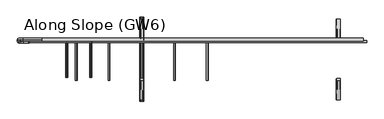
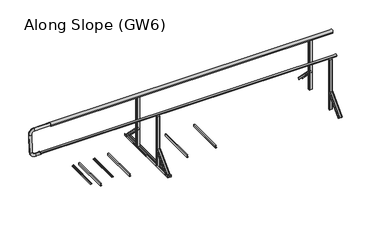
"""IFC4 building model written with IfcOpenShell, lengths in millimetres: proxy geometry, Along Slope (GW6)."""

from ifc_helpers import new_model, si_unit, point, frame, frame_2d, origin, origin_with_axes, place, context, project, spatial, polyline, circle_curve, ellipse_curve, trimmed, segment, composite_curve, outline, extrude, source, transform, mapped, element, save
from ifc_brep_helpers import plane_surface, cylinder_surface, revolved_surface, extruded_surface, advanced_brep


def along_slope_gw6_b5201a75(model_context):
    return source(origin(), model_context, "Body", "SolidModel", [
        advanced_brep(
        [(-200.0, 596.8, 513.0), (-200.0, 596.8, 553.0), (-210.0, 596.8, 508.0), (-210.0, 596.8, 558.0)],
        [
            (0, 1, circle_curve(frame((-200.0, 596.8, 533.0), z_axis=(1.0, 0.0, 0.0), x_axis=(0.0, 0.0, 1.0)), 20.0)),
            (1, 0, circle_curve(frame((-200.0, 596.8, 533.0), z_axis=(1.0, 0.0, 0.0), x_axis=(0.0, 0.0, -1.0)), 20.0)),
            (2, 3, circle_curve(frame((-210.0, 596.8, 533.0), z_axis=(-1.0, 0.0, 0.0), x_axis=(0.0, 0.0, -1.0)), 25.0)),
            (3, 2, circle_curve(frame((-210.0, 596.8, 533.0), z_axis=(-1.0, 0.0, 0.0), x_axis=(0.0, 0.0, 1.0)), 25.0)),
            (2, 0),
            (1, 3),
        ],
        [
            plane_surface(frame((-200.0, 596.8, 533.0), z_axis=(1.0, 0.0, 0.0), x_axis=(0.0, -1.0, 0.0))),
            plane_surface(frame((-210.0, 596.8, 533.0), z_axis=(-1.0, 0.0, 0.0), x_axis=(0.0, -1.0, 0.0))),
            revolved_surface(polyline([(-200.0, 596.8, 513.0), (-210.0, 596.8, 508.0)]), (-160.0, 596.8, 533.0), (-1.0, 0.0, 0.0)),
            revolved_surface(polyline([(-200.0, 596.8, 553.0), (-210.0, 596.8, 558.0)]), (-160.0, 596.8, 533.0), (-1.0, 0.0, 0.0)),
        ],
        [
            (0, [[1, 2]]),
            (1, [[3, 4]]),
            (2, [[5, -2, 6, -3]]),
            (3, [[-6, -1, -5, -4]]),
        ],
    ),
        advanced_brep(
        [(0.0, 633.2768095, 1044.936779), (0.0, 629.7231905, 995.063221), (-300.0, 629.7231905, 995.063221), (-300.0, 633.2768095, 1044.936779), (-350.0, 626.1695715, 945.1896629), (-400.0, 626.1695715, 945.1896629), (-350.0, 602.1399996, 607.9446635), (-400.0, 602.1399996, 607.9446635), (-300.0, 598.5863806, 558.0711054), (-300.0, 595.0327616, 508.1975474), (-210.0, 595.0327616, 508.1975474), (-210.0, 598.5863806, 558.0711054)],
        [
            (0, 1, circle_curve(frame((0.0, 631.5, 1020.0), z_axis=(1.0, 0.0, 0.0), x_axis=(0.0, -0.07107238045514491, -0.9974711608545078)), 25.0)),
            (1, 0, circle_curve(frame((0.0, 631.5, 1020.0), z_axis=(1.0, 0.0, 0.0), x_axis=(0.0, -0.07107238045514491, -0.9974711608545078)), 25.0)),
            (1, 2),
            (2, 3, circle_curve(frame((-300.0, 631.5, 1020.0), z_axis=(1.0, 0.0, 0.0), x_axis=(0.0, -0.07107238045514491, -0.9974711608545078)), 25.0)),
            (3, 0),
            (3, 2, circle_curve(frame((-300.0, 631.5, 1020.0), z_axis=(1.0, 0.0, 0.0), x_axis=(0.0, -0.07107238045514491, -0.9974711608545078)), 25.0)),
            (4, 5, circle_curve(frame((-375.0, 626.1695715, 945.1896629), z_axis=(0.0, 0.07107238045514491, 0.9974711608545078), x_axis=(1.0000000000000002, 0.0, 0.0)), 25.0)),
            (5, 3, circle_curve(frame((-300.0, 626.1695715, 945.1896629), z_axis=(0.0, 0.9974711608545078, -0.07107238045514491), x_axis=(0.0, 0.07107238045514491, 0.9974711608545078)), 100.0)),
            (2, 4, circle_curve(frame((-300.0, 626.1695715, 945.1896629), z_axis=(0.0, -0.9974711608545078, 0.07107238045514491), x_axis=(0.0, 0.07107238045514491, 0.9974711608545078)), 50.0)),
            (5, 4, circle_curve(frame((-375.0, 626.1695715, 945.1896629), z_axis=(0.0, 0.07107238045514491, 0.9974711608545078), x_axis=(1.0000000000000002, 0.0, 0.0)), 25.0)),
            (4, 6),
            (6, 7, circle_curve(frame((-375.0, 602.1399996, 607.9446635), z_axis=(0.0, 0.07107238045514493, 0.9974711608545077), x_axis=(1.0, 0.0, 0.0)), 25.0)),
            (7, 5),
            (7, 6, circle_curve(frame((-375.0, 602.1399996, 607.9446635), z_axis=(0.0, 0.07107238045514493, 0.9974711608545077), x_axis=(1.0, 0.0, 0.0)), 25.0)),
            (8, 9, circle_curve(frame((-300.0, 596.8095711, 533.1343264), z_axis=(-1.0, 0.0, 0.0), x_axis=(0.0, 0.07107238045514493, 0.9974711608545078)), 25.0)),
            (9, 7, circle_curve(frame((-300.0, 602.1399996, 607.9446635), z_axis=(0.0, 0.9974711608545078, -0.07107238045514491), x_axis=(-1.0, 0.0, 0.0)), 100.0)),
            (6, 8, circle_curve(frame((-300.0, 602.1399996, 607.9446635), z_axis=(0.0, -0.9974711608545078, 0.07107238045514491), x_axis=(-1.0, 0.0, 0.0)), 50.0)),
            (9, 8, circle_curve(frame((-300.0, 596.8095711, 533.1343264), z_axis=(-1.0, 0.0, 0.0), x_axis=(0.0, 0.07107238045514493, 0.9974711608545078)), 25.0)),
            (10, 11, circle_curve(frame((-210.0, 596.8095711, 533.1343264), z_axis=(1.0, 0.0, 0.0), x_axis=(0.0, 0.07107238045514491, 0.9974711608545078)), 25.0)),
            (11, 10, circle_curve(frame((-210.0, 596.8095711, 533.1343264), z_axis=(1.0, 0.0, 0.0), x_axis=(0.0, 0.07107238045514491, 0.9974711608545078)), 25.0)),
            (8, 11),
            (10, 9),
        ],
        [
            plane_surface(frame((0.0, 633.2768095, 1044.936779), z_axis=(1.0000000000000002, 0.0, 0.0), x_axis=(0.0, 0.9974711608545078, -0.07107238045514491))),
            cylinder_surface(frame((0.0, 631.5, 1020.0), z_axis=(1.0000000000000002, 0.0, 0.0), x_axis=(0.0, -0.07107238045514491, -0.9974711608545078)), 25.0),
            revolved_surface(trimmed(ellipse_curve(frame((-300.0, 631.5, 1020.0), z_axis=(-1.0000000000000002, 0.0, 0.0), x_axis=(0.0, -0.07107238045514491, -0.9974711608545078)), 25.0, 25.0), [point((-300.0, 633.2768095, 1044.936779))], [point((-300.0, 629.7231905, 995.063221))], True, "CARTESIAN"), (-300.0, 626.1695715, 945.1896629), (0.0, 0.9974711608545078, -0.07107238045514491)),
            revolved_surface(trimmed(ellipse_curve(frame((-300.0, 631.5, 1020.0), z_axis=(-1.0000000000000002, 0.0, 0.0), x_axis=(0.0, -0.07107238045514491, -0.9974711608545078)), 25.0, 25.0), [point((-300.0, 629.7231905, 995.063221))], [point((-300.0, 633.2768095, 1044.936779))], True, "CARTESIAN"), (-300.0, 626.1695715, 945.1896629), (0.0, 0.9974711608545078, -0.07107238045514491)),
            cylinder_surface(frame((-375.0, 626.1695715, 945.1896629), z_axis=(0.0, 0.07107238045514493, 0.9974711608545077), x_axis=(1.0, 0.0, 0.0)), 25.0),
            revolved_surface(trimmed(ellipse_curve(frame((-375.0, 602.1399996, 607.9446635), z_axis=(0.0, -0.07107238045514494, -0.9974711608545078), x_axis=(1.0, 0.0, 0.0)), 25.0, 25.0), [point((-400.0, 602.1399996, 607.9446635))], [point((-350.0, 602.1399996, 607.9446635))], True, "CARTESIAN"), (-300.0, 602.1399996, 607.9446635), (0.0, 0.9974711608545078, -0.07107238045514491)),
            revolved_surface(trimmed(ellipse_curve(frame((-375.0, 602.1399996, 607.9446635), z_axis=(0.0, -0.07107238045514494, -0.9974711608545078), x_axis=(1.0, 0.0, 0.0)), 25.0, 25.0), [point((-350.0, 602.1399996, 607.9446635))], [point((-400.0, 602.1399996, 607.9446635))], True, "CARTESIAN"), (-300.0, 602.1399996, 607.9446635), (0.0, 0.9974711608545078, -0.07107238045514491)),
            plane_surface(frame((-210.0, 595.0327616, 508.1975474), z_axis=(1.0000000000000002, 0.0, 0.0), x_axis=(0.0, 0.9974711608545078, -0.07107238045514491))),
            cylinder_surface(frame((-300.0, 596.8095711, 533.1343264), z_axis=(-1.0, 0.0, 0.0), x_axis=(0.0, 0.07107238045514491, 0.9974711608545078)), 25.0),
        ],
        [
            (0, [[1, 2]]),
            (1, [[3, 4, 5, -2]]),
            (1, [[-5, 6, -3, -1]]),
            (2, [[7, 8, -4, 9]]),
            (3, [[10, -9, -6, -8]]),
            (4, [[11, 12, 13, -7]]),
            (4, [[-13, 14, -11, -10]]),
            (5, [[15, 16, -12, 17]]),
            (6, [[18, -17, -14, -16]]),
            (7, [[19, 20]]),
            (8, [[21, -19, 22, -15]]),
            (8, [[-22, -20, -21, -18]]),
        ],
    ),
        extrude(outline(composite_curve([segment(polyline([(578.2, 525.617273), (582.2, 525.617273), (582.2, 540.382727), (578.2, 540.382727)]), True, "CONTINUOUS"), segment(trimmed(circle_curve(frame_2d((596.787505, 533.0)), 20.0), [point((578.2, 540.382727))], [point((612.5, 545.3740657))], False, "CARTESIAN"), True, "CONTINUOUS"), segment(polyline([(612.5, 545.3740657), (612.5, 520.6259343)]), True, "CONTINUOUS"), segment(trimmed(circle_curve(frame_2d((596.787505, 533.0)), 20.0), [point((612.5, 520.6259343))], [point((578.2, 525.617273))], False, "CARTESIAN"), True, "CONTINUOUS")], self_intersect=False)), frame((-200.0, 0.0, 0.0), z_axis=(1.0, 0.0, 0.0), x_axis=(0.0, 1.0, 0.0)), (0.0, 0.0, 1.0), 5585.0),
        extrude(outline(composite_curve([segment(polyline([(652.5, 1006.43534), (652.5, 988.0), (651.5, 988.0), (651.5, 1003.0), (611.5, 1003.0), (611.5, 988.0), (610.5, 988.0), (610.5, 1006.43534)]), True, "CONTINUOUS"), segment(trimmed(circle_curve(frame_2d((631.5, 1020.0)), 25.0), [point((610.5, 1006.43534))], [point((652.5, 1006.43534))], False, "CARTESIAN"), True, "CONTINUOUS")], self_intersect=False)), frame((0.0, 0.0, 0.0), z_axis=(1.0, 0.0, 0.0), x_axis=(0.0, 1.0, 0.0)), (0.0, 0.0, 1.0), 5330.0),
        extrude(outline(polyline([(3e-07, 2761.8888889), (2.0000003, 2761.8888889), (2.0000003, 2733.8888889), (38.0000003, 2733.8888889), (38.0000003, 2751.8888889), (40.0000003, 2751.8888889), (40.0000003, 2731.8888889), (3e-07, 2731.8888889), (3e-07, 2761.8888889)])), frame((0.0, -50.0, 0.0), z_axis=(0.0, 1.0, 0.0), x_axis=(0.0, 0.0, 1.0)), (0.0, 0.0, 1.0), 700.0),
        extrude(outline(polyline([(3e-07, 2218.1111111), (2.0000003, 2218.1111111), (2.0000003, 2190.1111111), (38.0000003, 2190.1111111), (38.0000003, 2208.1111111), (40.0000003, 2208.1111111), (40.0000003, 2188.1111111), (3e-07, 2188.1111111), (3e-07, 2218.1111111)])), frame((0.0, -50.0, 0.0), z_axis=(0.0, 1.0, 0.0), x_axis=(0.0, 0.0, 1.0)), (0.0, 0.0, 1.0), 700.0),
        extrude(outline(polyline([(3e-07, 1130.5555556), (2.0000003, 1130.5555556), (2.0000003, 1102.5555556), (38.0000003, 1102.5555556), (38.0000003, 1120.5555556), (40.0000003, 1120.5555556), (40.0000003, 1100.5555556), (3e-07, 1100.5555556), (3e-07, 1130.5555556)])), frame((0.0, -50.0, 0.0), z_axis=(0.0, 1.0, 0.0), x_axis=(0.0, 0.0, 1.0)), (0.0, 0.0, 1.0), 700.0),
        extrude(outline(polyline([(3e-07, 586.7777778), (2.0000003, 586.7777778), (2.0000003, 558.7777778), (38.0000003, 558.7777778), (38.0000003, 576.7777778), (40.0000003, 576.7777778), (40.0000003, 556.7777778), (3e-07, 556.7777778), (3e-07, 586.7777778)])), frame((0.0, -50.0, 0.0), z_axis=(0.0, 1.0, 0.0), x_axis=(0.0, 0.0, 1.0)), (0.0, 0.0, 1.0), 700.0),
        extrude(outline(composite_curve([segment(trimmed(circle_curve(frame_2d((62.9683907, 823.75)), 6.25), [point((67.8614305, 819.8614704))], [point((60.2402402, 818.1268608))], False, "CARTESIAN"), True, "CONTINUOUS"), segment(trimmed(circle_curve(frame_2d((59.3468026, 816.2853478)), 2.0468026), [point((60.2402402, 818.1268608))], [point((57.3, 816.2853478))], True, "CARTESIAN"), True, "CONTINUOUS"), segment(polyline([(57.3, 816.2853478), (57.3, 801.5)]), True, "CONTINUOUS"), segment(trimmed(circle_curve(frame_2d((55.8, 801.5)), 1.5), [point((57.3, 801.5))], [point((55.8, 800.0))], False, "CARTESIAN"), True, "CONTINUOUS"), segment(polyline([(55.8, 800.0), (55.0, 800.0), (55.0, 821.9783691)]), True, "CONTINUOUS"), segment(trimmed(circle_curve(frame_2d((64.084859, 821.098018)), 9.1274138), [point((55.0, 821.9783691))], [point((60.5433217, 829.510342))], False, "CARTESIAN"), True, "CONTINUOUS"), segment(trimmed(circle_curve(frame_2d((62.9683907, 823.75)), 6.25), [point((60.5433217, 829.510342))], [point((67.8614305, 827.6385296))], False, "CARTESIAN"), True, "CONTINUOUS"), segment(trimmed(circle_curve(frame_2d((67.2653483, 827.1648193)), 0.7613904), [point((67.8614305, 827.6385296))], [point((66.7916381, 826.5687372))], False, "CARTESIAN"), True, "CONTINUOUS"), segment(trimmed(circle_curve(frame_2d((62.9683907, 823.75)), 4.75), [point((66.7916381, 826.5687372))], [point((66.7916381, 820.9312628))], True, "CARTESIAN"), True, "CONTINUOUS"), segment(trimmed(circle_curve(frame_2d((67.2653483, 820.3351807)), 0.7613904), [point((66.7916381, 820.9312628))], [point((67.8614305, 819.8614704))], False, "CARTESIAN"), True, "CONTINUOUS")], self_intersect=False)), frame((0.0, 0.0, 0.0), z_axis=(0.0, 1.0, 0.0), x_axis=(0.0, 0.0, 1.0)), (0.0, 0.0, 1.0), 600.0),
        extrude(outline(composite_curve([segment(trimmed(circle_curve(frame_2d((62.9683907, 423.75)), 6.25), [point((67.8614305, 419.8614704))], [point((60.2402402, 418.1268608))], False, "CARTESIAN"), True, "CONTINUOUS"), segment(trimmed(circle_curve(frame_2d((59.3468026, 416.2853478)), 2.0468026), [point((60.2402402, 418.1268608))], [point((57.3, 416.2853478))], True, "CARTESIAN"), True, "CONTINUOUS"), segment(polyline([(57.3, 416.2853478), (57.3, 401.5)]), True, "CONTINUOUS"), segment(trimmed(circle_curve(frame_2d((55.8, 401.5)), 1.5), [point((57.3, 401.5))], [point((55.8, 400.0))], False, "CARTESIAN"), True, "CONTINUOUS"), segment(polyline([(55.8, 400.0), (55.0, 400.0), (55.0, 421.9783691)]), True, "CONTINUOUS"), segment(trimmed(circle_curve(frame_2d((64.084859, 421.098018)), 9.1274138), [point((55.0, 421.9783691))], [point((60.5433217, 429.510342))], False, "CARTESIAN"), True, "CONTINUOUS"), segment(trimmed(circle_curve(frame_2d((62.9683907, 423.75)), 6.25), [point((60.5433217, 429.510342))], [point((67.8614305, 427.6385296))], False, "CARTESIAN"), True, "CONTINUOUS"), segment(trimmed(circle_curve(frame_2d((67.2653483, 427.1648193)), 0.7613904), [point((67.8614305, 427.6385296))], [point((66.7916381, 426.5687372))], False, "CARTESIAN"), True, "CONTINUOUS"), segment(trimmed(circle_curve(frame_2d((62.9683907, 423.75)), 4.75), [point((66.7916381, 426.5687372))], [point((66.7916381, 420.9312628))], True, "CARTESIAN"), True, "CONTINUOUS"), segment(trimmed(circle_curve(frame_2d((67.2653483, 420.3351807)), 0.7613904), [point((66.7916381, 420.9312628))], [point((67.8614305, 419.8614704))], False, "CARTESIAN"), True, "CONTINUOUS")], self_intersect=False)), frame((0.0, 0.0, 0.0), z_axis=(0.0, 1.0, 0.0), x_axis=(0.0, 0.0, 1.0)), (0.0, 0.0, 1.0), 600.0),
        advanced_brep(
        [(1688.8333333, -368.6980515, 38.0000003), (1623.8333333, -368.6980515, 38.0000003), (1623.8333333, -342.888654, 12.1906028), (1626.8333333, -342.888654, 12.1906028), (1626.8333333, -366.5767312, 35.87868), (1636.8333333, -366.5767312, 35.87868), (1636.8333333, -364.8089642, 34.110913), (1637.8333333, -364.8089642, 34.110913), (1637.8333333, -366.5767312, 35.87868), (1674.8333333, -366.5767312, 35.87868), (1674.8333333, -364.8089642, 34.110913), (1675.8333333, -364.8089642, 34.110913), (1675.8333333, -366.5767312, 35.87868), (1685.8333333, -366.5767312, 35.87868), (1685.8333333, -342.888654, 12.1906028), (1688.8333333, -342.888654, 12.1906028), (1691.8333333, -50.5, 356.1980519), (1691.8333333, -24.6906025, 330.3886543), (1688.8333333, -24.6906025, 330.3886543), (1688.8333333, -48.3786797, 354.0767315), (1678.8333333, -48.3786797, 354.0767315), (1678.8333333, -46.6109127, 352.3089646), (1677.8333333, -46.6109127, 352.3089646), (1677.8333333, -48.3786797, 354.0767315), (1640.8333333, -48.3786797, 354.0767315), (1640.8333333, -46.6109127, 352.3089646), (1639.8333333, -46.6109127, 352.3089646), (1639.8333333, -48.3786797, 354.0767315), (1629.8333333, -48.3786797, 354.0767315), (1629.8333333, -24.6906025, 330.3886543), (1626.8333333, -24.6906025, 330.3886543), (1626.8333333, -50.5, 356.1980519)],
        [
            (0, 1),
            (1, 2),
            (2, 3, circle_curve(frame((1625.3333333, -342.888654, 12.1906028), z_axis=(0.0, -0.7071067811865506, -0.7071067811865446), x_axis=(0.0, -0.7071067811865446, 0.7071067811865506)), 1.5)),
            (3, 4),
            (4, 5),
            (5, 6),
            (6, 7, circle_curve(frame((1637.3333333, -364.8089642, 34.110913), z_axis=(0.0, -0.7071067811865506, -0.7071067811865446), x_axis=(0.0, -0.7071067811865446, 0.7071067811865506)), 0.5)),
            (7, 8),
            (8, 9),
            (9, 10),
            (10, 11, circle_curve(frame((1675.3333333, -364.8089642, 34.110913), z_axis=(0.0, -0.7071067811865506, -0.7071067811865446), x_axis=(0.0, -0.7071067811865446, 0.7071067811865506)), 0.5)),
            (11, 12),
            (12, 13),
            (13, 14),
            (14, 15, circle_curve(frame((1687.3333333, -342.888654, 12.1906028), z_axis=(0.0, -0.7071067811865506, -0.7071067811865446), x_axis=(0.0, -0.7071067811865446, 0.7071067811865506)), 1.5)),
            (15, 0),
            (16, 17),
            (17, 18, circle_curve(frame((1690.3333333, -24.6906025, 330.3886543), z_axis=(0.0, 0.7071067811865506, 0.7071067811865446), x_axis=(0.0, -0.7071067811865446, 0.7071067811865506)), 1.5)),
            (18, 19),
            (19, 20),
            (20, 21),
            (21, 22, circle_curve(frame((1678.3333333, -46.6109127, 352.3089646), z_axis=(0.0, 0.7071067811865506, 0.7071067811865446), x_axis=(0.0, -0.7071067811865446, 0.7071067811865506)), 0.5)),
            (22, 23),
            (23, 24),
            (24, 25),
            (25, 26, circle_curve(frame((1640.3333333, -46.6109127, 352.3089646), z_axis=(0.0, 0.7071067811865506, 0.7071067811865446), x_axis=(0.0, -0.7071067811865446, 0.7071067811865506)), 0.5)),
            (26, 27),
            (27, 28),
            (28, 29),
            (29, 30, circle_curve(frame((1628.3333333, -24.6906025, 330.3886543), z_axis=(0.0, 0.7071067811865506, 0.7071067811865446), x_axis=(0.0, -0.7071067811865446, 0.7071067811865506)), 1.5)),
            (30, 31),
            (31, 16),
            (16, 0),
            (15, 17),
            (14, 18),
            (13, 19),
            (12, 20),
            (11, 21),
            (10, 22),
            (9, 23),
            (8, 24),
            (7, 25),
            (6, 26),
            (5, 27),
            (4, 28),
            (3, 29),
            (2, 30),
            (1, 31),
        ],
        [
            plane_surface(frame((1656.3333333, -360.4779352, 29.779884), z_axis=(0.0, -0.7071067811865502, -0.7071067811865449), x_axis=(0.0, 0.7071067811865449, -0.7071067811865502))),
            plane_surface(frame((1659.3333333, -42.2798837, 347.9779355), z_axis=(0.0, 0.7071067811865505, 0.7071067811865447), x_axis=(0.0, 0.7071067811865447, -0.7071067811865505))),
            plane_surface(frame((1691.8333333, -37.5953012, 343.2933531), z_axis=(0.9999777785184913, -0.004713940454838276, -0.004713940454838116), x_axis=(0.0, 0.7071067811865449, -0.7071067811865502))),
            extruded_surface(trimmed(circle_curve(frame((1687.3333333, -342.888654, 12.1906028), z_axis=(0.0, 0.7071067811865506, 0.7071067811865446), x_axis=(0.0, -0.7071067811865446, 0.7071067811865506)), 1.5), [point((1688.8333333, -342.888654, 12.1906028))], [point((1685.8333333, -342.888654, 12.1906028))], True, "CARTESIAN"), (3.0, 318.19805149999996, 318.19805149999996), 450.009999840885),
            plane_surface(frame((1688.8333333, -36.5346411, 342.2326929), z_axis=(-0.9999777785184911, 0.004713940454837886, 0.00471394045483772), x_axis=(0.0, -0.7071067811865445, 0.7071067811865506))),
            plane_surface(frame((1683.8333333, -48.3786797, 354.0767315), z_axis=(0.0, 0.7071067811865455, -0.7071067811865496), x_axis=(-1.0, 0.0, 0.0))),
            plane_surface(frame((1678.8333333, -47.4947962, 353.192848), z_axis=(0.9999777785184913, -0.004713940454838199, -0.0047139404548380325), x_axis=(0.0, 0.7071067811865445, -0.7071067811865507))),
            extruded_surface(trimmed(circle_curve(frame((1675.3333333, -364.8089642, 34.110913), z_axis=(0.0, 0.7071067811865506, 0.7071067811865446), x_axis=(0.0, -0.7071067811865446, 0.7071067811865506)), 0.5), [point((1675.8333333, -364.8089642, 34.110913))], [point((1674.8333333, -364.8089642, 34.110913))], True, "CARTESIAN"), (3.0, 318.1980515, 318.19805160000004), 450.00999991159415),
            plane_surface(frame((1677.8333333, -47.4947962, 353.192848), z_axis=(-0.9999777785184912, 0.004713940454838169, 0.0047139404548381045), x_axis=(0.0, -0.7071067811865521, 0.707106781186543))),
            plane_surface(frame((1659.3333333, -48.3786797, 354.0767315), z_axis=(0.0, 0.7071067811865461, -0.7071067811865491), x_axis=(-1.0, 0.0, 0.0))),
            plane_surface(frame((1640.8333333, -47.4947962, 353.192848), z_axis=(0.9999777785184911, -0.004713940454838164, -0.004713940454837987), x_axis=(0.0, 0.7071067811865436, -0.7071067811865515))),
            extruded_surface(trimmed(circle_curve(frame((1637.3333333, -364.8089642, 34.110913), z_axis=(0.0, 0.7071067811865506, 0.7071067811865446), x_axis=(0.0, -0.7071067811865446, 0.7071067811865506)), 0.5), [point((1637.8333333, -364.8089642, 34.110913))], [point((1636.8333333, -364.8089642, 34.110913))], True, "CARTESIAN"), (3.0, 318.1980515, 318.19805160000004), 450.00999991159415),
            plane_surface(frame((1639.8333333, -47.4947962, 353.192848), z_axis=(-0.9999777785184913, 0.004713940454838203, 0.004713940454838003), x_axis=(0.0, -0.7071067811865419, 0.7071067811865532))),
            plane_surface(frame((1634.8333333, -48.3786797, 354.0767315), z_axis=(0.0, 0.7071067811865461, -0.7071067811865491), x_axis=(-1.0, 0.0, 0.0))),
            plane_surface(frame((1629.8333333, -36.5346411, 342.2326929), z_axis=(0.9999777785184911, -0.004713940454838192, -0.004713940454838038), x_axis=(0.0, 0.7071067811865454, -0.7071067811865497))),
            extruded_surface(trimmed(circle_curve(frame((1625.3333333, -342.888654, 12.1906028), z_axis=(0.0, 0.7071067811865506, 0.7071067811865446), x_axis=(0.0, -0.7071067811865446, 0.7071067811865506)), 1.5), [point((1626.8333333, -342.888654, 12.1906028))], [point((1623.8333333, -342.888654, 12.1906028))], True, "CARTESIAN"), (3.0, 318.19805149999996, 318.19805149999996), 450.009999840885),
            plane_surface(frame((1626.8333333, -37.5953012, 343.2933531), z_axis=(-0.9999777785184911, 0.00471394045483825, 0.004713940454838091), x_axis=(0.0, -0.7071067811865449, 0.7071067811865501))),
            plane_surface(frame((1659.3333333, -50.5, 356.1980519), z_axis=(0.0, -0.7071067811865455, 0.7071067811865497), x_axis=(1.0, 0.0, 0.0))),
        ],
        [
            (0, [[1, 2, 3, 4, 5, 6, 7, 8, 9, 10, 11, 12, 13, 14, 15, 16]]),
            (1, [[17, 18, 19, 20, 21, 22, 23, 24, 25, 26, 27, 28, 29, 30, 31, 32]]),
            (2, [[33, -16, 34, -17]]),
            (3, [[-34, -15, 35, -18]]),
            (4, [[-35, -14, 36, -19]]),
            (5, [[-36, -13, 37, -20]]),
            (6, [[-37, -12, 38, -21]]),
            (7, [[-38, -11, 39, -22]]),
            (8, [[-39, -10, 40, -23]]),
            (9, [[-40, -9, 41, -24]]),
            (10, [[-41, -8, 42, -25]]),
            (11, [[-42, -7, 43, -26]]),
            (12, [[-43, -6, 44, -27]]),
            (13, [[-44, -5, 45, -28]]),
            (14, [[-45, -4, 46, -29]]),
            (15, [[-46, -3, 47, -30]]),
            (16, [[-47, -2, 48, -31]]),
            (17, [[-48, -1, -33, -32]]),
        ],
    ),
        extrude(outline(composite_curve([segment(polyline([(1682.3333333, -50.5), (1636.3333333, -50.5)]), True, "CONTINUOUS"), segment(trimmed(circle_curve(frame_2d((1636.3333333, -45.5)), 5.0), [point((1636.3333333, -50.5))], [point((1631.3333333, -45.5))], False, "CARTESIAN"), True, "CONTINUOUS"), segment(polyline([(1631.3333333, -45.5), (1631.3333333, -17.5)]), True, "CONTINUOUS"), segment(trimmed(circle_curve(frame_2d((1636.3333333, -17.5)), 5.0), [point((1631.3333333, -17.5))], [point((1636.3333333, -12.5))], False, "CARTESIAN"), True, "CONTINUOUS"), segment(polyline([(1636.3333333, -12.5), (1682.3333333, -12.5)]), True, "CONTINUOUS"), segment(trimmed(circle_curve(frame_2d((1682.3333333, -17.5)), 5.0), [point((1682.3333333, -12.5))], [point((1687.3333333, -17.5))], False, "CARTESIAN"), True, "CONTINUOUS"), segment(polyline([(1687.3333333, -17.5), (1687.3333333, -45.5)]), True, "CONTINUOUS"), segment(trimmed(circle_curve(frame_2d((1682.3333333, -45.5)), 5.0), [point((1687.3333333, -45.5))], [point((1682.3333333, -50.5))], False, "CARTESIAN"), True, "CONTINUOUS")], self_intersect=False)), frame((0.0, 0.0, 3e-07), z_axis=(0.0, 0.0, 1.0), x_axis=(1.0, 0.0, 0.0)), (0.0, 0.0, 1.0), 1003.0),
        extrude(outline(composite_curve([segment(polyline([(1682.3333333, 612.5), (1636.3333333, 612.5)]), True, "CONTINUOUS"), segment(trimmed(circle_curve(frame_2d((1636.3333333, 617.5)), 5.0), [point((1636.3333333, 612.5))], [point((1631.3333333, 617.5))], False, "CARTESIAN"), True, "CONTINUOUS"), segment(polyline([(1631.3333333, 617.5), (1631.3333333, 645.5)]), True, "CONTINUOUS"), segment(trimmed(circle_curve(frame_2d((1636.3333333, 645.5)), 5.0), [point((1631.3333333, 645.5))], [point((1636.3333333, 650.5))], False, "CARTESIAN"), True, "CONTINUOUS"), segment(polyline([(1636.3333333, 650.5), (1682.3333333, 650.5)]), True, "CONTINUOUS"), segment(trimmed(circle_curve(frame_2d((1682.3333333, 645.5)), 5.0), [point((1682.3333333, 650.5))], [point((1687.3333333, 645.5))], False, "CARTESIAN"), True, "CONTINUOUS"), segment(polyline([(1687.3333333, 645.5), (1687.3333333, 617.5)]), True, "CONTINUOUS"), segment(trimmed(circle_curve(frame_2d((1682.3333333, 617.5)), 5.0), [point((1687.3333333, 617.5))], [point((1682.3333333, 612.5))], False, "CARTESIAN"), True, "CONTINUOUS")], self_intersect=False)), frame((0.0, 0.0, 3e-07), z_axis=(0.0, 0.0, 1.0), x_axis=(1.0, 0.0, 0.0)), (0.0, 0.0, 1.0), 1003.0),
        advanced_brep(
        [(1623.8333333, 968.7087394, 38.0000003), (1688.8333333, 968.7087394, 38.0000003), (1688.8333333, 942.8993419, 12.1906028), (1685.8333333, 942.8993419, 12.1906028), (1685.8333333, 966.5874191, 35.87868), (1675.8333333, 966.5874191, 35.87868), (1675.8333333, 964.8196521, 34.110913), (1674.8333333, 964.8196521, 34.110913), (1674.8333333, 966.5874191, 35.87868), (1637.8333333, 966.5874191, 35.87868), (1637.8333333, 964.8196521, 34.110913), (1636.8333333, 964.8196521, 34.110913), (1636.8333333, 966.5874191, 35.87868), (1626.8333333, 966.5874191, 35.87868), (1626.8333333, 942.8993419, 12.1906028), (1623.8333333, 942.8993419, 12.1906028), (1626.8333333, 650.5106879, 356.1980519), (1626.8333333, 624.7012904, 330.3886543), (1629.8333333, 624.7012904, 330.3886543), (1629.8333333, 648.3893676, 354.0767315), (1639.8333333, 648.3893676, 354.0767315), (1639.8333333, 646.6216006, 352.3089646), (1640.8333333, 646.6216006, 352.3089646), (1640.8333333, 648.3893676, 354.0767315), (1677.8333333, 648.3893676, 354.0767315), (1677.8333333, 646.6216006, 352.3089646), (1678.8333333, 646.6216006, 352.3089646), (1678.8333333, 648.3893676, 354.0767315), (1688.8333333, 648.3893676, 354.0767315), (1688.8333333, 624.7012904, 330.3886543), (1691.8333333, 624.7012904, 330.3886543), (1691.8333333, 650.5106879, 356.1980519)],
        [
            (0, 1),
            (1, 2),
            (2, 3, circle_curve(frame((1687.3333333, 942.8993419, 12.1906028), z_axis=(0.0, 0.7071067811865432, -0.7071067811865519), x_axis=(0.0, -0.7071067811865519, -0.7071067811865432)), 1.5)),
            (3, 4),
            (4, 5),
            (5, 6),
            (6, 7, circle_curve(frame((1675.3333333, 964.8196521, 34.110913), z_axis=(0.0, 0.7071067811865432, -0.7071067811865519), x_axis=(0.0, -0.7071067811865519, -0.7071067811865432)), 0.5)),
            (7, 8),
            (8, 9),
            (9, 10),
            (10, 11, circle_curve(frame((1637.3333333, 964.8196521, 34.110913), z_axis=(0.0, 0.7071067811865432, -0.7071067811865519), x_axis=(0.0, -0.7071067811865519, -0.7071067811865432)), 0.5)),
            (11, 12),
            (12, 13),
            (13, 14),
            (14, 15, circle_curve(frame((1625.3333333, 942.8993419, 12.1906028), z_axis=(0.0, 0.7071067811865432, -0.7071067811865519), x_axis=(0.0, -0.7071067811865519, -0.7071067811865432)), 1.5)),
            (15, 0),
            (16, 17),
            (17, 18, circle_curve(frame((1628.3333333, 624.7012904, 330.3886543), z_axis=(0.0, -0.7071067811865432, 0.7071067811865519), x_axis=(0.0, -0.7071067811865519, -0.7071067811865432)), 1.5)),
            (18, 19),
            (19, 20),
            (20, 21),
            (21, 22, circle_curve(frame((1640.3333333, 646.6216006, 352.3089646), z_axis=(0.0, -0.7071067811865432, 0.7071067811865519), x_axis=(0.0, -0.7071067811865519, -0.7071067811865432)), 0.5)),
            (22, 23),
            (23, 24),
            (24, 25),
            (25, 26, circle_curve(frame((1678.3333333, 646.6216006, 352.3089646), z_axis=(0.0, -0.7071067811865432, 0.7071067811865519), x_axis=(0.0, -0.7071067811865519, -0.7071067811865432)), 0.5)),
            (26, 27),
            (27, 28),
            (28, 29),
            (29, 30, circle_curve(frame((1690.3333333, 624.7012904, 330.3886543), z_axis=(0.0, -0.7071067811865432, 0.7071067811865519), x_axis=(0.0, -0.7071067811865519, -0.7071067811865432)), 1.5)),
            (30, 31),
            (31, 16),
            (16, 0),
            (15, 17),
            (14, 18),
            (13, 19),
            (12, 20),
            (11, 21),
            (10, 22),
            (9, 23),
            (8, 24),
            (7, 25),
            (6, 26),
            (5, 27),
            (4, 28),
            (3, 29),
            (2, 30),
            (1, 31),
        ],
        [
            plane_surface(frame((1656.3333333, 960.4886231, 29.779884), z_axis=(0.0, 0.707106781186543, -0.7071067811865521), x_axis=(0.0, -0.7071067811865521, -0.707106781186543))),
            plane_surface(frame((1659.3333333, 642.2905716, 347.9779355), z_axis=(0.0, -0.7071067811865432, 0.7071067811865519), x_axis=(0.0, -0.7071067811865519, -0.7071067811865432))),
            plane_surface(frame((1626.8333333, 637.6059891, 343.2933531), z_axis=(-0.9999777785184912, -0.004713940454842057, 0.004713940454841993), x_axis=(0.0, -0.7071067811865521, -0.707106781186543))),
            extruded_surface(trimmed(circle_curve(frame((1625.3333333, 942.8993419, 12.1906028), z_axis=(0.0, -0.7071067811865432, 0.7071067811865519), x_axis=(0.0, -0.7071067811865519, -0.7071067811865432)), 1.5), [point((1623.8333333, 942.8993419, 12.1906028))], [point((1626.8333333, 942.8993419, 12.1906028))], True, "CARTESIAN"), (3.0, -318.1980515, 318.19805149999996), 450.009999840885),
            plane_surface(frame((1629.8333333, 636.545329, 342.2326929), z_axis=(0.9999777785184912, 0.004713940454842057, -0.004713940454841993), x_axis=(0.0, 0.7071067811865521, 0.707106781186543))),
            plane_surface(frame((1634.8333333, 648.3893676, 354.0767315), z_axis=(0.0, -0.7071067811865525, -0.7071067811865427), x_axis=(1.0, 0.0, 0.0))),
            plane_surface(frame((1639.8333333, 647.5054841, 353.192848), z_axis=(-0.9999777785184911, -0.004713940454842033, 0.004713940454842016), x_axis=(0.0, -0.7071067811865557, -0.7071067811865394))),
            extruded_surface(trimmed(circle_curve(frame((1637.3333333, 964.8196521, 34.110913), z_axis=(0.0, -0.7071067811865432, 0.7071067811865519), x_axis=(0.0, -0.7071067811865519, -0.7071067811865432)), 0.5), [point((1636.8333333, 964.8196521, 34.110913))], [point((1637.8333333, 964.8196521, 34.110913))], True, "CARTESIAN"), (3.0, -318.1980515, 318.19805160000004), 450.00999991159415),
            plane_surface(frame((1640.8333333, 647.5054841, 353.192848), z_axis=(0.9999777785184911, 0.004713940454842045, -0.004713940454842029), x_axis=(0.0, 0.7071067811865557, 0.7071067811865394))),
            plane_surface(frame((1659.3333333, 648.3893676, 354.0767315), z_axis=(0.0, -0.7071067811865525, -0.7071067811865427), x_axis=(1.0, 0.0, 0.0))),
            plane_surface(frame((1677.8333333, 647.5054841, 353.192848), z_axis=(-0.9999777785184911, -0.004713940454842039, 0.004713940454842022), x_axis=(0.0, -0.7071067811865557, -0.7071067811865394))),
            extruded_surface(trimmed(circle_curve(frame((1675.3333333, 964.8196521, 34.110913), z_axis=(0.0, -0.7071067811865432, 0.7071067811865519), x_axis=(0.0, -0.7071067811865519, -0.7071067811865432)), 0.5), [point((1674.8333333, 964.8196521, 34.110913))], [point((1675.8333333, 964.8196521, 34.110913))], True, "CARTESIAN"), (3.0, -318.1980515, 318.19805160000004), 450.00999991159415),
            plane_surface(frame((1678.8333333, 647.5054841, 353.192848), z_axis=(0.9999777785184911, 0.004713940454842066, -0.004713940454841994), x_axis=(0.0, 0.7071067811865515, 0.7071067811865436))),
            plane_surface(frame((1683.8333333, 648.3893676, 354.0767315), z_axis=(0.0, -0.7071067811865522, -0.707106781186543), x_axis=(1.0, 0.0, 0.0))),
            plane_surface(frame((1688.8333333, 636.545329, 342.2326929), z_axis=(-0.9999777785184911, -0.004713940454842064, 0.004713940454841998), x_axis=(0.0, -0.707106781186552, -0.7071067811865431))),
            extruded_surface(trimmed(circle_curve(frame((1687.3333333, 942.8993419, 12.1906028), z_axis=(0.0, -0.7071067811865432, 0.7071067811865519), x_axis=(0.0, -0.7071067811865519, -0.7071067811865432)), 1.5), [point((1685.8333333, 942.8993419, 12.1906028))], [point((1688.8333333, 942.8993419, 12.1906028))], True, "CARTESIAN"), (3.0, -318.1980515, 318.19805149999996), 450.009999840885),
            plane_surface(frame((1691.8333333, 637.6059891, 343.2933531), z_axis=(0.9999777785184913, 0.004713940454842066, -0.004713940454841998), x_axis=(0.0, 0.7071067811865519, 0.7071067811865432))),
            plane_surface(frame((1659.3333333, 650.5106879, 356.1980519), z_axis=(0.0, 0.7071067811865526, 0.7071067811865427), x_axis=(-1.0, 0.0, 0.0))),
        ],
        [
            (0, [[1, 2, 3, 4, 5, 6, 7, 8, 9, 10, 11, 12, 13, 14, 15, 16]]),
            (1, [[17, 18, 19, 20, 21, 22, 23, 24, 25, 26, 27, 28, 29, 30, 31, 32]]),
            (2, [[33, -16, 34, -17]]),
            (3, [[-34, -15, 35, -18]]),
            (4, [[-35, -14, 36, -19]]),
            (5, [[-36, -13, 37, -20]]),
            (6, [[-37, -12, 38, -21]]),
            (7, [[-38, -11, 39, -22]]),
            (8, [[-39, -10, 40, -23]]),
            (9, [[-40, -9, 41, -24]]),
            (10, [[-41, -8, 42, -25]]),
            (11, [[-42, -7, 43, -26]]),
            (12, [[-43, -6, 44, -27]]),
            (13, [[-44, -5, 45, -28]]),
            (14, [[-45, -4, 46, -29]]),
            (15, [[-46, -3, 47, -30]]),
            (16, [[-47, -2, 48, -31]]),
            (17, [[-48, -1, -33, -32]]),
        ],
    ),
        extrude(outline(composite_curve([segment(polyline([(3e-07, 1626.8333333), (3e-07, 1691.8333333), (36.5000003, 1691.8333333)]), True, "CONTINUOUS"), segment(trimmed(circle_curve(frame_2d((36.5000003, 1690.3333333)), 1.5), [point((36.5000003, 1691.8333333))], [point((36.5000003, 1688.8333333))], False, "CARTESIAN"), True, "CONTINUOUS"), segment(polyline([(36.5000003, 1688.8333333), (3.0000003, 1688.8333333), (3.0000003, 1678.8333333), (5.5000003, 1678.8333333)]), True, "CONTINUOUS"), segment(trimmed(circle_curve(frame_2d((5.5000003, 1678.3333333)), 0.5), [point((5.5000003, 1678.8333333))], [point((5.5000003, 1677.8333333))], False, "CARTESIAN"), True, "CONTINUOUS"), segment(polyline([(5.5000003, 1677.8333333), (3.0000003, 1677.8333333), (3.0000003, 1640.8333333), (5.5000003, 1640.8333333)]), True, "CONTINUOUS"), segment(trimmed(circle_curve(frame_2d((5.5000003, 1640.3333333)), 0.5), [point((5.5000003, 1640.8333333))], [point((5.5000003, 1639.8333333))], False, "CARTESIAN"), True, "CONTINUOUS"), segment(polyline([(5.5000003, 1639.8333333), (3.0000003, 1639.8333333), (3.0000003, 1629.8333333), (36.5000003, 1629.8333333)]), True, "CONTINUOUS"), segment(trimmed(circle_curve(frame_2d((36.5000003, 1628.3333333)), 1.5), [point((36.5000003, 1629.8333333))], [point((36.5000003, 1626.8333333))], False, "CARTESIAN"), True, "CONTINUOUS"), segment(polyline([(36.5000003, 1626.8333333), (3e-07, 1626.8333333)]), True, "CONTINUOUS")], self_intersect=False)), frame((0.0, -400.0, 0.0), z_axis=(0.0, 1.0, 0.0), x_axis=(0.0, 0.0, 1.0)), (0.0, 0.0, 1.0), 1400.0),
        advanced_brep(
        [(4947.0, -368.6980515, 38.0), (4882.0, -368.6980515, 38.0), (4882.0, -342.888654, 12.1906025), (4885.0, -342.888654, 12.1906025), (4885.0, -366.5767312, 35.8786797), (4895.0, -366.5767312, 35.8786797), (4895.0, -364.8089642, 34.1109127), (4896.0, -364.8089642, 34.1109127), (4896.0, -366.5767312, 35.8786797), (4933.0, -366.5767312, 35.8786797), (4933.0, -364.8089642, 34.1109127), (4934.0, -364.8089642, 34.1109127), (4934.0, -366.5767312, 35.8786797), (4944.0, -366.5767312, 35.8786797), (4944.0, -342.888654, 12.1906025), (4947.0, -342.888654, 12.1906025), (4950.0, -50.5, 356.1980516), (4950.0, -24.6906025, 330.3886541), (4947.0, -24.6906025, 330.3886541), (4947.0, -48.3786797, 354.0767312), (4937.0, -48.3786797, 354.0767312), (4937.0, -46.6109127, 352.3089643), (4936.0, -46.6109127, 352.3089643), (4936.0, -48.3786797, 354.0767312), (4899.0, -48.3786797, 354.0767312), (4899.0, -46.6109127, 352.3089643), (4898.0, -46.6109127, 352.3089643), (4898.0, -48.3786797, 354.0767312), (4888.0, -48.3786797, 354.0767312), (4888.0, -24.6906025, 330.3886541), (4885.0, -24.6906025, 330.3886541), (4885.0, -50.5, 356.1980516)],
        [
            (0, 1),
            (1, 2),
            (2, 3, circle_curve(frame((4883.5, -342.888654, 12.1906025), z_axis=(0.0, -0.7071067811865506, -0.7071067811865446), x_axis=(0.0, -0.7071067811865446, 0.7071067811865506)), 1.5)),
            (3, 4),
            (4, 5),
            (5, 6),
            (6, 7, circle_curve(frame((4895.5, -364.8089642, 34.1109127), z_axis=(0.0, -0.7071067811865506, -0.7071067811865446), x_axis=(0.0, -0.7071067811865446, 0.7071067811865506)), 0.5)),
            (7, 8),
            (8, 9),
            (9, 10),
            (10, 11, circle_curve(frame((4933.5, -364.8089642, 34.1109127), z_axis=(0.0, -0.7071067811865506, -0.7071067811865446), x_axis=(0.0, -0.7071067811865446, 0.7071067811865506)), 0.5)),
            (11, 12),
            (12, 13),
            (13, 14),
            (14, 15, circle_curve(frame((4945.5, -342.888654, 12.1906025), z_axis=(0.0, -0.7071067811865506, -0.7071067811865446), x_axis=(0.0, -0.7071067811865446, 0.7071067811865506)), 1.5)),
            (15, 0),
            (16, 17),
            (17, 18, circle_curve(frame((4948.5, -24.6906025, 330.3886541), z_axis=(0.0, 0.7071067811865506, 0.7071067811865446), x_axis=(0.0, -0.7071067811865446, 0.7071067811865506)), 1.5)),
            (18, 19),
            (19, 20),
            (20, 21),
            (21, 22, circle_curve(frame((4936.5, -46.6109127, 352.3089643), z_axis=(0.0, 0.7071067811865506, 0.7071067811865446), x_axis=(0.0, -0.7071067811865446, 0.7071067811865506)), 0.5)),
            (22, 23),
            (23, 24),
            (24, 25),
            (25, 26, circle_curve(frame((4898.5, -46.6109127, 352.3089643), z_axis=(0.0, 0.7071067811865506, 0.7071067811865446), x_axis=(0.0, -0.7071067811865446, 0.7071067811865506)), 0.5)),
            (26, 27),
            (27, 28),
            (28, 29),
            (29, 30, circle_curve(frame((4886.5, -24.6906025, 330.3886541), z_axis=(0.0, 0.7071067811865506, 0.7071067811865446), x_axis=(0.0, -0.7071067811865446, 0.7071067811865506)), 1.5)),
            (30, 31),
            (31, 16),
            (16, 0),
            (15, 17),
            (14, 18),
            (13, 19),
            (12, 20),
            (11, 21),
            (10, 22),
            (9, 23),
            (8, 24),
            (7, 25),
            (6, 26),
            (5, 27),
            (4, 28),
            (3, 29),
            (2, 30),
            (1, 31),
        ],
        [
            plane_surface(frame((4914.5, -360.4779352, 29.7798837), z_axis=(0.0, -0.7071067811865502, -0.7071067811865449), x_axis=(0.0, 0.7071067811865449, -0.7071067811865502))),
            plane_surface(frame((4917.5, -42.2798837, 347.9779352), z_axis=(0.0, 0.7071067811865505, 0.7071067811865447), x_axis=(0.0, 0.7071067811865447, -0.7071067811865505))),
            plane_surface(frame((4950.0, -37.5953012, 343.2933528), z_axis=(0.9999777785184913, -0.004713940454838276, -0.004713940454838116), x_axis=(0.0, 0.7071067811865449, -0.7071067811865502))),
            extruded_surface(trimmed(circle_curve(frame((4945.5, -342.888654, 12.1906025), z_axis=(0.0, 0.7071067811865506, 0.7071067811865446), x_axis=(0.0, -0.7071067811865446, 0.7071067811865506)), 1.5), [point((4947.0, -342.888654, 12.1906025))], [point((4944.0, -342.888654, 12.1906025))], True, "CARTESIAN"), (3.0, 318.19805149999996, 318.1980516), 450.00999991159404),
            plane_surface(frame((4947.0, -36.5346411, 342.2326926), z_axis=(-0.9999777785184911, 0.004713940454837886, 0.00471394045483772), x_axis=(0.0, -0.7071067811865445, 0.7071067811865506))),
            plane_surface(frame((4942.0, -48.3786797, 354.0767312), z_axis=(0.0, 0.7071067811865455, -0.7071067811865496), x_axis=(-1.0, 0.0, 0.0))),
            plane_surface(frame((4937.0, -47.4947962, 353.1928478), z_axis=(0.9999777785184913, -0.004713940454838199, -0.0047139404548380325), x_axis=(0.0, 0.7071067811865445, -0.7071067811865507))),
            extruded_surface(trimmed(circle_curve(frame((4933.5, -364.8089642, 34.1109127), z_axis=(0.0, 0.7071067811865506, 0.7071067811865446), x_axis=(0.0, -0.7071067811865446, 0.7071067811865506)), 0.5), [point((4934.0, -364.8089642, 34.1109127))], [point((4933.0, -364.8089642, 34.1109127))], True, "CARTESIAN"), (3.0, 318.1980515, 318.1980516), 450.0099999115941),
            plane_surface(frame((4936.0, -47.4947962, 353.1928478), z_axis=(-0.9999777785184912, 0.004713940454838169, 0.0047139404548381045), x_axis=(0.0, -0.7071067811865521, 0.707106781186543))),
            plane_surface(frame((4917.5, -48.3786797, 354.0767312), z_axis=(0.0, 0.7071067811865461, -0.7071067811865491), x_axis=(-1.0, 0.0, 0.0))),
            plane_surface(frame((4899.0, -47.4947962, 353.1928478), z_axis=(0.9999777785184911, -0.004713940454838164, -0.004713940454837987), x_axis=(0.0, 0.7071067811865436, -0.7071067811865515))),
            extruded_surface(trimmed(circle_curve(frame((4895.5, -364.8089642, 34.1109127), z_axis=(0.0, 0.7071067811865506, 0.7071067811865446), x_axis=(0.0, -0.7071067811865446, 0.7071067811865506)), 0.5), [point((4896.0, -364.8089642, 34.1109127))], [point((4895.0, -364.8089642, 34.1109127))], True, "CARTESIAN"), (3.0, 318.1980515, 318.1980516), 450.0099999115941),
            plane_surface(frame((4898.0, -47.4947962, 353.1928478), z_axis=(-0.9999777785184913, 0.004713940454838203, 0.004713940454838003), x_axis=(0.0, -0.7071067811865419, 0.7071067811865532))),
            plane_surface(frame((4893.0, -48.3786797, 354.0767312), z_axis=(0.0, 0.7071067811865461, -0.7071067811865491), x_axis=(-1.0, 0.0, 0.0))),
            plane_surface(frame((4888.0, -36.5346411, 342.2326926), z_axis=(0.9999777785184911, -0.004713940454838192, -0.004713940454838038), x_axis=(0.0, 0.7071067811865454, -0.7071067811865497))),
            extruded_surface(trimmed(circle_curve(frame((4883.5, -342.888654, 12.1906025), z_axis=(0.0, 0.7071067811865506, 0.7071067811865446), x_axis=(0.0, -0.7071067811865446, 0.7071067811865506)), 1.5), [point((4885.0, -342.888654, 12.1906025))], [point((4882.0, -342.888654, 12.1906025))], True, "CARTESIAN"), (3.0, 318.19805149999996, 318.1980516), 450.00999991159404),
            plane_surface(frame((4885.0, -37.5953012, 343.2933528), z_axis=(-0.9999777785184911, 0.00471394045483825, 0.004713940454838091), x_axis=(0.0, -0.7071067811865449, 0.7071067811865501))),
            plane_surface(frame((4917.5, -50.5, 356.1980516), z_axis=(0.0, -0.7071067811865455, 0.7071067811865497), x_axis=(1.0, 0.0, 0.0))),
        ],
        [
            (0, [[1, 2, 3, 4, 5, 6, 7, 8, 9, 10, 11, 12, 13, 14, 15, 16]]),
            (1, [[17, 18, 19, 20, 21, 22, 23, 24, 25, 26, 27, 28, 29, 30, 31, 32]]),
            (2, [[33, -16, 34, -17]]),
            (3, [[-34, -15, 35, -18]]),
            (4, [[-35, -14, 36, -19]]),
            (5, [[-36, -13, 37, -20]]),
            (6, [[-37, -12, 38, -21]]),
            (7, [[-38, -11, 39, -22]]),
            (8, [[-39, -10, 40, -23]]),
            (9, [[-40, -9, 41, -24]]),
            (10, [[-41, -8, 42, -25]]),
            (11, [[-42, -7, 43, -26]]),
            (12, [[-43, -6, 44, -27]]),
            (13, [[-44, -5, 45, -28]]),
            (14, [[-45, -4, 46, -29]]),
            (15, [[-46, -3, 47, -30]]),
            (16, [[-47, -2, 48, -31]]),
            (17, [[-48, -1, -33, -32]]),
        ],
    ),
        extrude(outline(composite_curve([segment(polyline([(4940.5, -50.5), (4894.5, -50.5)]), True, "CONTINUOUS"), segment(trimmed(circle_curve(frame_2d((4894.5, -45.5)), 5.0), [point((4894.5, -50.5))], [point((4889.5, -45.5))], False, "CARTESIAN"), True, "CONTINUOUS"), segment(polyline([(4889.5, -45.5), (4889.5, -17.5)]), True, "CONTINUOUS"), segment(trimmed(circle_curve(frame_2d((4894.5, -17.5)), 5.0), [point((4889.5, -17.5))], [point((4894.5, -12.5))], False, "CARTESIAN"), True, "CONTINUOUS"), segment(polyline([(4894.5, -12.5), (4940.5, -12.5)]), True, "CONTINUOUS"), segment(trimmed(circle_curve(frame_2d((4940.5, -17.5)), 5.0), [point((4940.5, -12.5))], [point((4945.5, -17.5))], False, "CARTESIAN"), True, "CONTINUOUS"), segment(polyline([(4945.5, -17.5), (4945.5, -45.5)]), True, "CONTINUOUS"), segment(trimmed(circle_curve(frame_2d((4940.5, -45.5)), 5.0), [point((4945.5, -45.5))], [point((4940.5, -50.5))], False, "CARTESIAN"), True, "CONTINUOUS")], self_intersect=False)), origin_with_axes(), (0.0, 0.0, 1.0), 1003.0),
        extrude(outline(composite_curve([segment(polyline([(4940.5, 612.5), (4894.5, 612.5)]), True, "CONTINUOUS"), segment(trimmed(circle_curve(frame_2d((4894.5, 617.5)), 5.0), [point((4894.5, 612.5))], [point((4889.5, 617.5))], False, "CARTESIAN"), True, "CONTINUOUS"), segment(polyline([(4889.5, 617.5), (4889.5, 645.5)]), True, "CONTINUOUS"), segment(trimmed(circle_curve(frame_2d((4894.5, 645.5)), 5.0), [point((4889.5, 645.5))], [point((4894.5, 650.5))], False, "CARTESIAN"), True, "CONTINUOUS"), segment(polyline([(4894.5, 650.5), (4940.5, 650.5)]), True, "CONTINUOUS"), segment(trimmed(circle_curve(frame_2d((4940.5, 645.5)), 5.0), [point((4940.5, 650.5))], [point((4945.5, 645.5))], False, "CARTESIAN"), True, "CONTINUOUS"), segment(polyline([(4945.5, 645.5), (4945.5, 617.5)]), True, "CONTINUOUS"), segment(trimmed(circle_curve(frame_2d((4940.5, 617.5)), 5.0), [point((4945.5, 617.5))], [point((4940.5, 612.5))], False, "CARTESIAN"), True, "CONTINUOUS")], self_intersect=False)), origin_with_axes(), (0.0, 0.0, 1.0), 1003.0),
        advanced_brep(
        [(4882.0, 968.7087394, 38.0), (4947.0, 968.7087394, 38.0), (4947.0, 942.8993419, 12.1906025), (4944.0, 942.8993419, 12.1906025), (4944.0, 966.5874191, 35.8786797), (4934.0, 966.5874191, 35.8786797), (4934.0, 964.8196521, 34.1109127), (4933.0, 964.8196521, 34.1109127), (4933.0, 966.5874191, 35.8786797), (4896.0, 966.5874191, 35.8786797), (4896.0, 964.8196521, 34.1109127), (4895.0, 964.8196521, 34.1109127), (4895.0, 966.5874191, 35.8786797), (4885.0, 966.5874191, 35.8786797), (4885.0, 942.8993419, 12.1906025), (4882.0, 942.8993419, 12.1906025), (4885.0, 650.5106879, 356.1980516), (4885.0, 624.7012904, 330.3886541), (4888.0, 624.7012904, 330.3886541), (4888.0, 648.3893676, 354.0767312), (4898.0, 648.3893676, 354.0767312), (4898.0, 646.6216006, 352.3089643), (4899.0, 646.6216006, 352.3089643), (4899.0, 648.3893676, 354.0767312), (4936.0, 648.3893676, 354.0767312), (4936.0, 646.6216006, 352.3089643), (4937.0, 646.6216006, 352.3089643), (4937.0, 648.3893676, 354.0767312), (4947.0, 648.3893676, 354.0767312), (4947.0, 624.7012904, 330.3886541), (4950.0, 624.7012904, 330.3886541), (4950.0, 650.5106879, 356.1980516)],
        [
            (0, 1),
            (1, 2),
            (2, 3, circle_curve(frame((4945.5, 942.8993419, 12.1906025), z_axis=(0.0, 0.7071067811865432, -0.7071067811865519), x_axis=(0.0, -0.7071067811865519, -0.7071067811865432)), 1.5)),
            (3, 4),
            (4, 5),
            (5, 6),
            (6, 7, circle_curve(frame((4933.5, 964.8196521, 34.1109127), z_axis=(0.0, 0.7071067811865432, -0.7071067811865519), x_axis=(0.0, -0.7071067811865519, -0.7071067811865432)), 0.5)),
            (7, 8),
            (8, 9),
            (9, 10),
            (10, 11, circle_curve(frame((4895.5, 964.8196521, 34.1109127), z_axis=(0.0, 0.7071067811865432, -0.7071067811865519), x_axis=(0.0, -0.7071067811865519, -0.7071067811865432)), 0.5)),
            (11, 12),
            (12, 13),
            (13, 14),
            (14, 15, circle_curve(frame((4883.5, 942.8993419, 12.1906025), z_axis=(0.0, 0.7071067811865432, -0.7071067811865519), x_axis=(0.0, -0.7071067811865519, -0.7071067811865432)), 1.5)),
            (15, 0),
            (16, 17),
            (17, 18, circle_curve(frame((4886.5, 624.7012904, 330.3886541), z_axis=(0.0, -0.7071067811865432, 0.7071067811865519), x_axis=(0.0, -0.7071067811865519, -0.7071067811865432)), 1.5)),
            (18, 19),
            (19, 20),
            (20, 21),
            (21, 22, circle_curve(frame((4898.5, 646.6216006, 352.3089643), z_axis=(0.0, -0.7071067811865432, 0.7071067811865519), x_axis=(0.0, -0.7071067811865519, -0.7071067811865432)), 0.5)),
            (22, 23),
            (23, 24),
            (24, 25),
            (25, 26, circle_curve(frame((4936.5, 646.6216006, 352.3089643), z_axis=(0.0, -0.7071067811865432, 0.7071067811865519), x_axis=(0.0, -0.7071067811865519, -0.7071067811865432)), 0.5)),
            (26, 27),
            (27, 28),
            (28, 29),
            (29, 30, circle_curve(frame((4948.5, 624.7012904, 330.3886541), z_axis=(0.0, -0.7071067811865432, 0.7071067811865519), x_axis=(0.0, -0.7071067811865519, -0.7071067811865432)), 1.5)),
            (30, 31),
            (31, 16),
            (16, 0),
            (15, 17),
            (14, 18),
            (13, 19),
            (12, 20),
            (11, 21),
            (10, 22),
            (9, 23),
            (8, 24),
            (7, 25),
            (6, 26),
            (5, 27),
            (4, 28),
            (3, 29),
            (2, 30),
            (1, 31),
        ],
        [
            plane_surface(frame((4914.5, 960.4886231, 29.7798837), z_axis=(0.0, 0.707106781186543, -0.7071067811865521), x_axis=(0.0, -0.7071067811865521, -0.707106781186543))),
            plane_surface(frame((4917.5, 642.2905716, 347.9779352), z_axis=(0.0, -0.7071067811865432, 0.7071067811865519), x_axis=(0.0, -0.7071067811865519, -0.7071067811865432))),
            plane_surface(frame((4885.0, 637.6059891, 343.2933528), z_axis=(-0.9999777785184912, -0.004713940454842057, 0.004713940454841993), x_axis=(0.0, -0.7071067811865521, -0.707106781186543))),
            extruded_surface(trimmed(circle_curve(frame((4883.5, 942.8993419, 12.1906025), z_axis=(0.0, -0.7071067811865432, 0.7071067811865519), x_axis=(0.0, -0.7071067811865519, -0.7071067811865432)), 1.5), [point((4882.0, 942.8993419, 12.1906025))], [point((4885.0, 942.8993419, 12.1906025))], True, "CARTESIAN"), (3.0, -318.1980515, 318.1980516), 450.0099999115941),
            plane_surface(frame((4888.0, 636.545329, 342.2326926), z_axis=(0.9999777785184912, 0.004713940454842057, -0.004713940454841993), x_axis=(0.0, 0.7071067811865521, 0.707106781186543))),
            plane_surface(frame((4893.0, 648.3893676, 354.0767312), z_axis=(0.0, -0.7071067811865525, -0.7071067811865427), x_axis=(1.0, 0.0, 0.0))),
            plane_surface(frame((4898.0, 647.5054841, 353.1928478), z_axis=(-0.9999777785184911, -0.004713940454842033, 0.004713940454842016), x_axis=(0.0, -0.7071067811865557, -0.7071067811865394))),
            extruded_surface(trimmed(circle_curve(frame((4895.5, 964.8196521, 34.1109127), z_axis=(0.0, -0.7071067811865432, 0.7071067811865519), x_axis=(0.0, -0.7071067811865519, -0.7071067811865432)), 0.5), [point((4895.0, 964.8196521, 34.1109127))], [point((4896.0, 964.8196521, 34.1109127))], True, "CARTESIAN"), (3.0, -318.1980515, 318.1980516), 450.0099999115941),
            plane_surface(frame((4899.0, 647.5054841, 353.1928478), z_axis=(0.9999777785184911, 0.004713940454842045, -0.004713940454842029), x_axis=(0.0, 0.7071067811865557, 0.7071067811865394))),
            plane_surface(frame((4917.5, 648.3893676, 354.0767312), z_axis=(0.0, -0.7071067811865525, -0.7071067811865427), x_axis=(1.0, 0.0, 0.0))),
            plane_surface(frame((4936.0, 647.5054841, 353.1928478), z_axis=(-0.9999777785184911, -0.004713940454842039, 0.004713940454842022), x_axis=(0.0, -0.7071067811865557, -0.7071067811865394))),
            extruded_surface(trimmed(circle_curve(frame((4933.5, 964.8196521, 34.1109127), z_axis=(0.0, -0.7071067811865432, 0.7071067811865519), x_axis=(0.0, -0.7071067811865519, -0.7071067811865432)), 0.5), [point((4933.0, 964.8196521, 34.1109127))], [point((4934.0, 964.8196521, 34.1109127))], True, "CARTESIAN"), (3.0, -318.1980515, 318.1980516), 450.0099999115941),
            plane_surface(frame((4937.0, 647.5054841, 353.1928478), z_axis=(0.9999777785184911, 0.004713940454842066, -0.004713940454841994), x_axis=(0.0, 0.7071067811865515, 0.7071067811865436))),
            plane_surface(frame((4942.0, 648.3893676, 354.0767312), z_axis=(0.0, -0.7071067811865522, -0.707106781186543), x_axis=(1.0, 0.0, 0.0))),
            plane_surface(frame((4947.0, 636.545329, 342.2326926), z_axis=(-0.9999777785184911, -0.004713940454842064, 0.004713940454841998), x_axis=(0.0, -0.707106781186552, -0.7071067811865431))),
            extruded_surface(trimmed(circle_curve(frame((4945.5, 942.8993419, 12.1906025), z_axis=(0.0, -0.7071067811865432, 0.7071067811865519), x_axis=(0.0, -0.7071067811865519, -0.7071067811865432)), 1.5), [point((4944.0, 942.8993419, 12.1906025))], [point((4947.0, 942.8993419, 12.1906025))], True, "CARTESIAN"), (3.0, -318.1980515, 318.1980516), 450.0099999115941),
            plane_surface(frame((4950.0, 637.6059891, 343.2933528), z_axis=(0.9999777785184913, 0.004713940454842066, -0.004713940454841998), x_axis=(0.0, 0.7071067811865519, 0.7071067811865432))),
            plane_surface(frame((4917.5, 650.5106879, 356.1980516), z_axis=(0.0, 0.7071067811865526, 0.7071067811865427), x_axis=(-1.0, 0.0, 0.0))),
        ],
        [
            (0, [[1, 2, 3, 4, 5, 6, 7, 8, 9, 10, 11, 12, 13, 14, 15, 16]]),
            (1, [[17, 18, 19, 20, 21, 22, 23, 24, 25, 26, 27, 28, 29, 30, 31, 32]]),
            (2, [[33, -16, 34, -17]]),
            (3, [[-34, -15, 35, -18]]),
            (4, [[-35, -14, 36, -19]]),
            (5, [[-36, -13, 37, -20]]),
            (6, [[-37, -12, 38, -21]]),
            (7, [[-38, -11, 39, -22]]),
            (8, [[-39, -10, 40, -23]]),
            (9, [[-40, -9, 41, -24]]),
            (10, [[-41, -8, 42, -25]]),
            (11, [[-42, -7, 43, -26]]),
            (12, [[-43, -6, 44, -27]]),
            (13, [[-44, -5, 45, -28]]),
            (14, [[-45, -4, 46, -29]]),
            (15, [[-46, -3, 47, -30]]),
            (16, [[-47, -2, 48, -31]]),
            (17, [[-48, -1, -33, -32]]),
        ],
    ),
    ])


if __name__ == "__main__":
    model = new_model("IFC4")
    model_context = context("Model", 3, world=origin())
    ifc_project = project(units=[si_unit("LENGTHUNIT", "METRE", prefix="MILLI")], contexts=[model_context])
    site = spatial("IfcSite", under=ifc_project)
    building = spatial("IfcBuilding", under=site)
    placement = place(None, origin())
    along_slope_gw6_shape = along_slope_gw6_b5201a75(model_context)
    element("IfcBuildingElementProxy", 1, Name="Along Slope (GW6)", ObjectType="Along Slope (GW6)", at=placement, inside=building, context=model_context, shape_type="MappedRepresentation", body=[
        mapped(along_slope_gw6_shape, transform((0.0, 0.0, 0.0), x_axis=(1.0, 0.0, 0.0), y_axis=(0.0, 1.0, 0.0), z_axis=(0.0, 0.0, 1.0))),
    ])
    save(model, "model.ifc")
